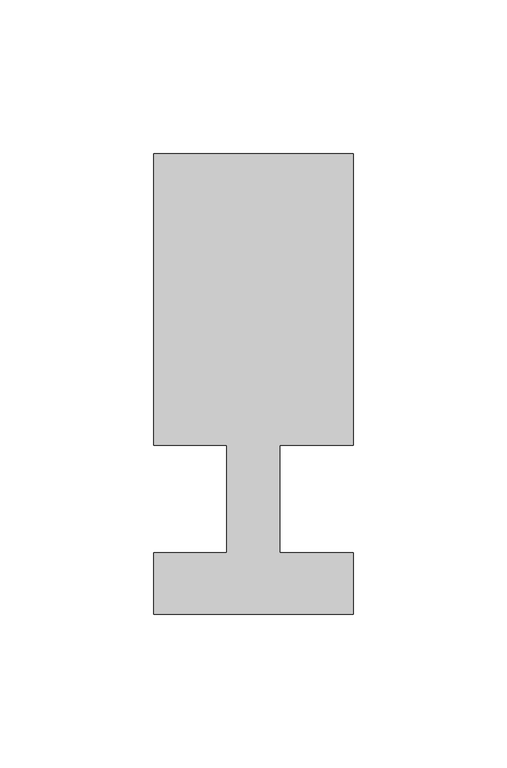
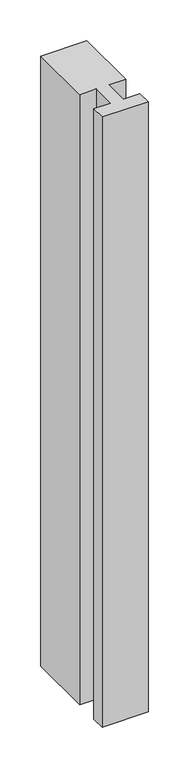
"""IFC4 building model written with IfcOpenShell, lengths in millimetres: member geometry."""

from ifc_helpers import new_model, si_unit, frame, origin, place, context, project, spatial, polyline, outline, extrude, source, transform, mapped, element, save


def member_3076d69d(model_context):
    return source(origin(), model_context, "Body", "SweptSolid", [
        extrude(outline(polyline([(-65.0, -37.0), (-65.0, -17.0), (-41.1875, -17.0), (-41.1875, 18.0), (-65.0, 18.0), (-65.0, 113.0), (0.0, 113.0), (0.0, 18.0), (-23.8125, 18.0), (-23.8125, -17.0), (0.0, -17.0), (0.0, -37.0), (-65.0, -37.0)])), frame((0.0, 0.0, -912.5), z_axis=(0.0, 0.0, 1.0), x_axis=(1.0, 0.0, 0.0)), (0.0, 0.0, 1.0), 912.5),
    ])


if __name__ == "__main__":
    model = new_model("IFC4")
    model_context = context("Model", 3, world=origin())
    ifc_project = project(units=[si_unit("LENGTHUNIT", "METRE", prefix="MILLI")], contexts=[model_context])
    site = spatial("IfcSite", under=ifc_project)
    building = spatial("IfcBuilding", under=site)
    placement = place(None, origin())
    member_shape = member_3076d69d(model_context)
    element("IfcMember", 1, at=placement, inside=building, context=model_context, shape_type="MappedRepresentation", body=[
        mapped(member_shape, transform((0.0, 0.0, 0.0), x_axis=(1.0, 0.0, 0.0), y_axis=(0.0, 1.0, 0.0), z_axis=(0.0, 0.0, 1.0))),
    ])
    save(model, "model.ifc")
